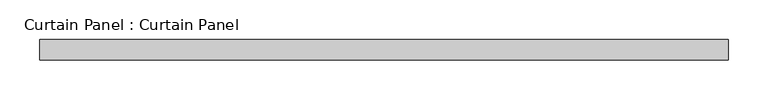
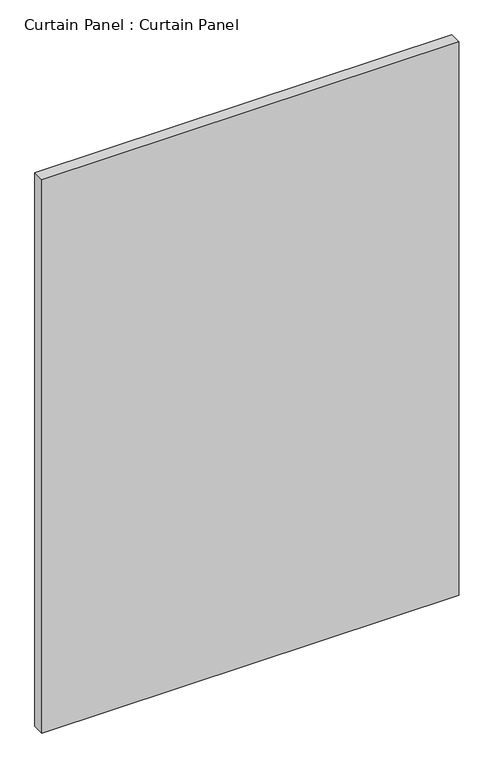
"""IFC4 building model written with IfcOpenShell, lengths in millimetres: plate geometry, Curtain Panel : Curtain Panel."""

from ifc_helpers import new_model, si_unit, frame, origin, place, context, project, spatial, polyline, outline, extrude, source, transform, mapped, element, save


def curtain_panel_curtain_panel_ab12f1d0(model_context):
    return source(origin(), model_context, "Body", "SweptSolid", [
        extrude(outline(polyline([(-39887.0694373, -1996.9602036), (-40750.6693241, -1996.9602036), (-40750.6693241, -1971.5602036), (-39887.0694373, -1971.5602036), (-39887.0694373, -1996.9602036)])), frame((0.0, 0.0, 537.3144909), z_axis=(0.0, 0.0, 1.0), x_axis=(1.0, 0.0, 0.0)), (0.0, 0.0, 1.0), 1211.4628498),
    ])


if __name__ == "__main__":
    model = new_model("IFC4")
    model_context = context("Model", 3, world=origin())
    ifc_project = project(units=[si_unit("LENGTHUNIT", "METRE", prefix="MILLI")], contexts=[model_context])
    site = spatial("IfcSite", under=ifc_project)
    building = spatial("IfcBuilding", under=site)
    placement = place(None, origin())
    curtain_panel_curtain_panel_shape = curtain_panel_curtain_panel_ab12f1d0(model_context)
    element("IfcPlate", 1, ObjectType="Curtain Panel : Curtain Panel", at=placement, inside=building, context=model_context, shape_type="MappedRepresentation", body=[
        mapped(curtain_panel_curtain_panel_shape, transform((0.0, 0.0, 0.0), x_axis=(1.0, 0.0, 0.0), y_axis=(0.0, 1.0, 0.0), z_axis=(0.0, 0.0, 1.0))),
    ])
    save(model, "model.ifc")
